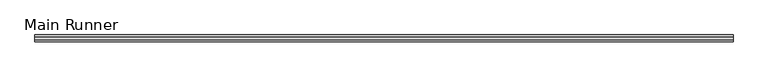
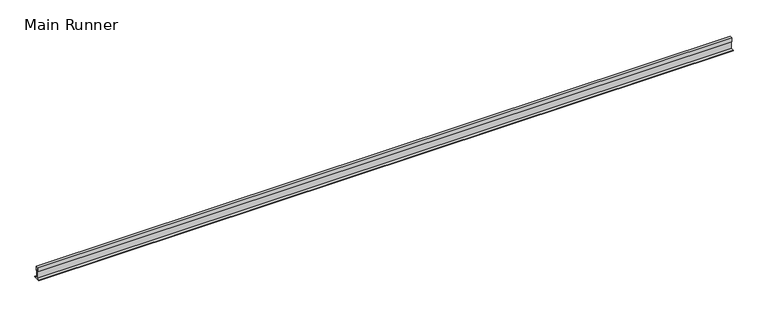
"""IFC4 building model written with IfcOpenShell, lengths in millimetres: beam geometry, Main Runner."""

from ifc_helpers import new_model, si_unit, frame, origin, place, context, project, spatial, polyline, outline, extrude, source, transform, mapped, element, save


def main_runner_f1df2a6b(model_context):
    return source(origin(), model_context, "Body", "SweptSolid", [
        extrude(outline(polyline([(11.0, -2.0), (0.0, -2.0), (-11.0, -2.0), (-11.0, 0.0), (-1.0, 0.0), (-1.0, 24.0), (-4.0, 24.0), (-4.0, 38.1243468), (4.0, 38.1243468), (4.0, 24.0), (1.0, 24.0), (1.0, 0.0), (11.0, 0.0), (11.0, -2.0)]), holes=[polyline([(3.0, 37.1243468), (-3.0169966, 37.1243468), (-3.0169966, 25.0), (0.0, 25.0), (3.0, 25.0), (3.0, 37.1243468)])]), frame((-968.110729, 0.0, 0.0), z_axis=(1.0, 0.0, 0.0), x_axis=(0.0, 1.0, 0.0)), (0.0, 0.0, 1.0), 2199.8034995),
    ])


if __name__ == "__main__":
    model = new_model("IFC4")
    model_context = context("Model", 3, world=origin())
    ifc_project = project(units=[si_unit("LENGTHUNIT", "METRE", prefix="MILLI")], contexts=[model_context])
    site = spatial("IfcSite", under=ifc_project)
    building = spatial("IfcBuilding", under=site)
    placement = place(None, origin())
    main_runner_shape = main_runner_f1df2a6b(model_context)
    element("IfcBeam", 1, ObjectType="Main Runner", at=placement, inside=building, context=model_context, shape_type="MappedRepresentation", body=[
        mapped(main_runner_shape, transform((0.0, 0.0, 0.0), x_axis=(1.0, 0.0, 0.0), y_axis=(0.0, 1.0, 0.0), z_axis=(0.0, 0.0, 1.0))),
    ])
    save(model, "model.ifc")
